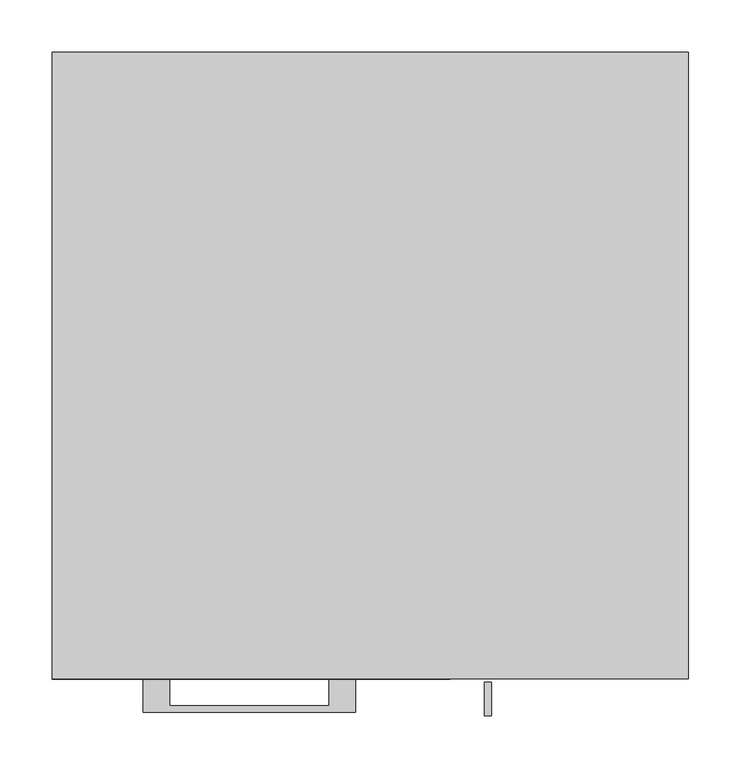
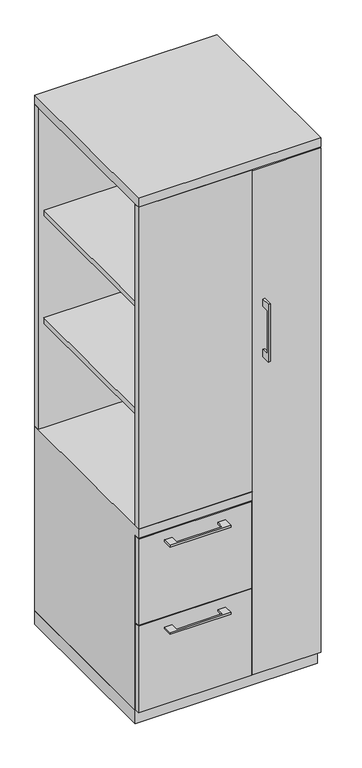
"""IFC4 building model written with IfcOpenShell, lengths in millimetres: furniture geometry."""

from ifc_helpers import new_model, si_unit, frame, origin, origin_with_axes, place, context, project, spatial, polyline, outline, extrude, faceted_brep, source, transform, mapped, element, save


def furniture_42bd408e(model_context):
    return source(origin(), model_context, "Body", "SolidModel", [
        extrude(outline(polyline([(57.15, -579.4375), (-285.75, -579.4375), (-285.75, -17.4625), (57.15, -17.4625), (57.15, -579.4375)])), frame((0.0, 0.0, 1446.7416667), z_axis=(0.0, 0.0, 1.0), x_axis=(1.0, 0.0, 0.0)), (0.0, 0.0, 1.0), 19.05),
        extrude(outline(polyline([(57.15, -581.025), (-285.75, -581.025), (-285.75, -19.05), (57.15, -19.05), (57.15, -581.025)])), frame((0.0, 0.0, 1067.8583333), z_axis=(0.0, 0.0, 1.0), x_axis=(1.0, 0.0, 0.0)), (0.0, 0.0, 1.0), 19.05),
        extrude(outline(polyline([(-192.0874818, -600.075), (-192.0874818, -625.4749758), (-39.6875, -625.4749758), (-39.6875, -600.075), (-14.2875061, -600.075), (-14.2875061, -631.8249879), (-217.4874939, -631.8249879), (-217.4874939, -600.075), (-192.0874818, -600.075)])), frame((0.0, 0.0, 623.8875506), z_axis=(0.0, 0.0, 1.0), x_axis=(1.0, 0.0, 0.0)), (0.0, 0.0, 1.0), 6.3499758),
        extrude(outline(polyline([(73.025, -581.025), (73.025, -600.075), (-304.8, -600.075), (-304.8, -581.025), (73.025, -581.025)])), frame((0.0, 0.0, 358.775), z_axis=(0.0, 0.0, 1.0), x_axis=(1.0, 0.0, 0.0)), (0.0, 0.0, 1.0), 304.8),
        extrude(outline(polyline([(-603.25, 1343.025), (-628.6499758, 1343.025), (-628.6499758, 1190.625), (-603.25, 1190.625), (-603.25, 1165.225), (-634.9999879, 1165.225), (-634.9999879, 1368.425), (-603.25, 1368.425), (-603.25, 1343.025)])), frame((109.5375121, 0.0, 0.0), z_axis=(1.0, 0.0, 0.0), x_axis=(0.0, 1.0, 0.0)), (0.0, 0.0, 1.0), 6.3499758),
        extrude(outline(polyline([(304.8, -600.075), (76.2, -600.075), (76.2, -581.025), (304.8, -581.025), (304.8, -600.075)])), frame((0.0, 0.0, 50.8), z_axis=(0.0, 0.0, 1.0), x_axis=(1.0, 0.0, 0.0)), (0.0, 0.0, 1.0), 1781.175),
        extrude(outline(polyline([(-192.0874818, -600.075), (-192.0874818, -625.4749758), (-39.6875, -625.4749758), (-39.6875, -600.075), (-14.2875061, -600.075), (-14.2875061, -631.8249879), (-217.4874939, -631.8249879), (-217.4874939, -600.075), (-192.0874818, -600.075)])), frame((0.0, 0.0, 315.9125506), z_axis=(0.0, 0.0, 1.0), x_axis=(1.0, 0.0, 0.0)), (0.0, 0.0, 1.0), 6.3499758),
        extrude(outline(polyline([(73.025, -581.025), (73.025, -600.075), (-304.8, -600.075), (-304.8, -581.025), (73.025, -581.025)])), frame((0.0, 0.0, 50.8), z_axis=(0.0, 0.0, 1.0), x_axis=(1.0, 0.0, 0.0)), (0.0, 0.0, 1.0), 304.8),
        faceted_brep([(-304.8, -581.025, 47.625), (-304.8, 0.0, 47.625), (76.2, 0.0, 47.625), (76.2, -581.025, 47.625), (-304.8, 0.0, 698.5), (76.2, 0.0, 698.5), (-304.8, -581.025, 666.75), (-304.8, -600.075, 666.75), (-304.8, -600.075, 698.5), (76.2, -581.025, 666.75), (57.15, -581.025, 666.75), (76.2, -581.025, 1835.15), (57.15, -581.025, 1835.15), (57.15, -581.025, 698.5), (76.2, -581.025, 698.5), (76.2, -19.05, 698.5), (76.2, -19.05, 1835.15), (76.2, -600.075, 698.5), (76.2, -600.075, 666.75), (57.15, -19.05, 1835.15), (57.15, -19.05, 698.5)], [[[0, 1, 2, 3]], [[2, 1, 4, 5]], [[4, 1, 0, 6, 7, 8]], [[6, 0, 3, 9, 10]], [[11, 12, 13, 14]], [[2, 5, 15, 16, 11, 14, 17, 18, 9, 3]], [[16, 19, 12, 11]], [[19, 16, 15, 20]], [[12, 19, 20, 13]], [[5, 4, 8, 17, 14, 13, 20, 15]], [[18, 7, 6, 10, 9]], [[17, 8, 7, 18]]]),
        extrude(outline(polyline([(76.2, 0.0), (76.2, -19.05), (-304.8, -19.05), (-304.8, 0.0), (76.2, 0.0)])), frame((0.0, 0.0, 698.5), z_axis=(0.0, 0.0, 1.0), x_axis=(1.0, 0.0, 0.0)), (0.0, 0.0, 1.0), 1136.65),
        extrude(outline(polyline([(76.2, -600.075), (-304.8, -600.075), (-304.8, -581.025), (76.2, -581.025), (76.2, -600.075)])), frame((0.0, 0.0, 698.5), z_axis=(0.0, 0.0, 1.0), x_axis=(1.0, 0.0, 0.0)), (0.0, 0.0, 1.0), 1136.65),
        extrude(outline(polyline([(304.8, 0.0), (304.8, -581.025), (285.75, -581.025), (285.75, -19.05), (76.2, -19.05), (76.2, 0.0), (304.8, 0.0)])), frame((0.0, 0.0, 47.625), z_axis=(0.0, 0.0, 1.0), x_axis=(1.0, 0.0, 0.0)), (0.0, 0.0, 1.0), 1787.525),
        extrude(outline(polyline([(304.8, 0.0), (304.8, -600.075), (-304.8, -600.075), (-304.8, 0.0), (304.8, 0.0)])), frame((0.0, 0.0, 1835.15), z_axis=(0.0, 0.0, 1.0), x_axis=(1.0, 0.0, 0.0)), (0.0, 0.0, 1.0), 31.75),
        extrude(outline(polyline([(304.8, 0.0), (304.8, -581.025), (-304.8, -581.025), (-304.8, 0.0), (304.8, 0.0)])), origin_with_axes(), (0.0, 0.0, 1.0), 47.625),
    ])


if __name__ == "__main__":
    model = new_model("IFC4")
    model_context = context("Model", 3, world=origin())
    ifc_project = project(units=[si_unit("LENGTHUNIT", "METRE", prefix="MILLI")], contexts=[model_context])
    site = spatial("IfcSite", under=ifc_project)
    building = spatial("IfcBuilding", under=site)
    placement = place(None, origin())
    furniture_shape = furniture_42bd408e(model_context)
    element("IfcFurniture", 1, at=placement, inside=building, context=model_context, shape_type="MappedRepresentation", body=[
        mapped(furniture_shape, transform((0.0, 0.0, 0.0), x_axis=(1.0, 0.0, 0.0), y_axis=(0.0, 1.0, 0.0), z_axis=(0.0, 0.0, 1.0))),
    ])
    save(model, "model.ifc")
